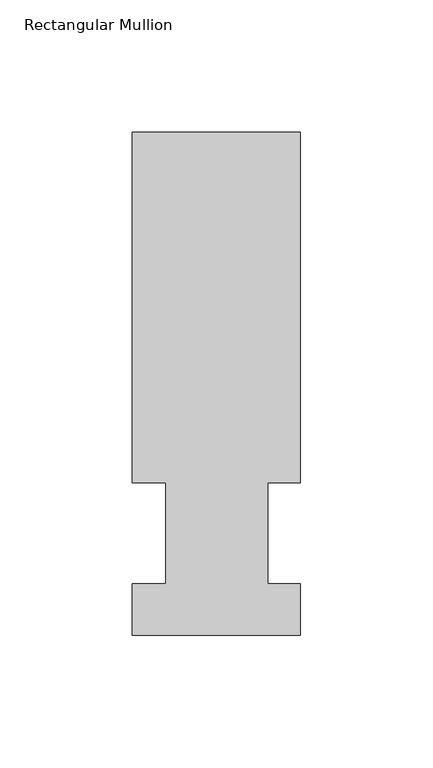
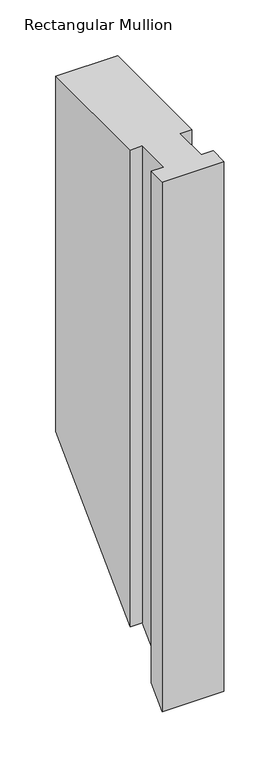
"""IFC4 building model written with IfcOpenShell, lengths in millimetres: member geometry, Rectangular Mullion."""

from ifc_helpers import new_model, si_unit, origin, place, context, project, spatial, faceted_brep, source, transform, mapped, element, save


def rectangular_mullion_0098275a(model_context):
    return source(origin(), model_context, "Body", "Brep", [
        faceted_brep([(-63.5, 57.6460937, 0.0), (-50.8, 57.6460937, 0.0), (-50.8, 19.5460937, 0.0), (-63.5, 19.5460937, 0.0), (-63.5, 0.0134938, 0.0), (0.0, 0.0134938, 0.0), (0.0, 19.5460937, 0.0), (-12.3418395, 19.5460937, 0.0), (-12.3418395, 57.6460937, 0.0), (0.0, 57.6460937, 0.0), (0.0, 190.0816937, 0.0), (-63.5, 190.0816937, 0.0), (-63.5, 57.6460937, -520.2039062), (-50.8, 57.6460937, -520.2039062), (-50.8, 19.5460937, -558.3039062), (-63.5, 19.5460937, -558.3039062), (-63.5, 0.0134938, -577.8365062), (0.0, 0.0134938, -577.8365062), (0.0, 19.5460937, -558.3039062), (-12.3418395, 19.5460937, -558.3039062), (-12.3418395, 57.6460937, -520.2039062), (0.0, 57.6460937, -520.2039062), (0.0, 190.0816937, -387.7683062), (-63.5, 190.0816937, -387.7683062)], [[[0, 1, 2, 3, 4, 5, 6, 7, 8, 9, 10, 11]], [[1, 0, 12, 13]], [[2, 1, 13, 14]], [[3, 2, 14, 15]], [[4, 3, 15, 16]], [[5, 4, 16, 17]], [[6, 5, 17, 18]], [[7, 6, 18, 19]], [[8, 7, 19, 20]], [[9, 8, 20, 21]], [[10, 9, 21, 22]], [[11, 10, 22, 23]], [[0, 11, 23, 12]], [[12, 23, 22, 21, 20, 19, 18, 17, 16, 15, 14, 13]]]),
    ])


if __name__ == "__main__":
    model = new_model("IFC4")
    model_context = context("Model", 3, world=origin())
    ifc_project = project(units=[si_unit("LENGTHUNIT", "METRE", prefix="MILLI")], contexts=[model_context])
    site = spatial("IfcSite", under=ifc_project)
    building = spatial("IfcBuilding", under=site)
    placement = place(None, origin())
    rectangular_mullion_shape = rectangular_mullion_0098275a(model_context)
    element("IfcMember", 1, ObjectType="Rectangular Mullion", at=placement, inside=building, context=model_context, shape_type="MappedRepresentation", body=[
        mapped(rectangular_mullion_shape, transform((0.0, 0.0, 0.0), x_axis=(1.0, 0.0, 0.0), y_axis=(0.0, 1.0, 0.0), z_axis=(0.0, 0.0, 1.0))),
    ])
    save(model, "model.ifc")
